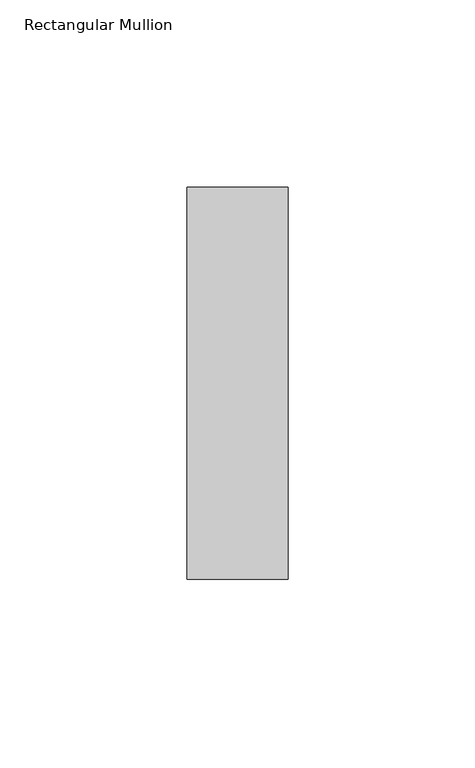
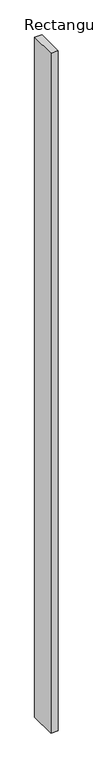
"""IFC4 building model written with IfcOpenShell, lengths in millimetres: member geometry, Rectangular Mullion."""

from ifc_helpers import new_model, si_unit, frame, origin, place, context, project, spatial, polyline, outline, extrude, source, transform, mapped, element, save


def rectangular_mullion_15e12be3(model_context):
    return source(origin(), model_context, "Body", "SweptSolid", [
        extrude(outline(polyline([(-27.0, 52.3975), (0.0, 52.3975), (0.0, -52.3975), (-27.0, -52.3975), (-27.0, 52.3975)])), frame((0.0, 0.0, -2700.0), z_axis=(0.0, 0.0, 1.0), x_axis=(1.0, 0.0, 0.0)), (0.0, 0.0, 1.0), 2700.0),
    ])


if __name__ == "__main__":
    model = new_model("IFC4")
    model_context = context("Model", 3, world=origin())
    ifc_project = project(units=[si_unit("LENGTHUNIT", "METRE", prefix="MILLI")], contexts=[model_context])
    site = spatial("IfcSite", under=ifc_project)
    building = spatial("IfcBuilding", under=site)
    placement = place(None, origin())
    rectangular_mullion_shape = rectangular_mullion_15e12be3(model_context)
    element("IfcMember", 1, ObjectType="Rectangular Mullion", at=placement, inside=building, context=model_context, shape_type="MappedRepresentation", body=[
        mapped(rectangular_mullion_shape, transform((0.0, 0.0, 0.0), x_axis=(1.0, 0.0, 0.0), y_axis=(0.0, 1.0, 0.0), z_axis=(0.0, 0.0, 1.0))),
    ])
    save(model, "model.ifc")
